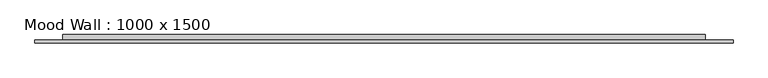
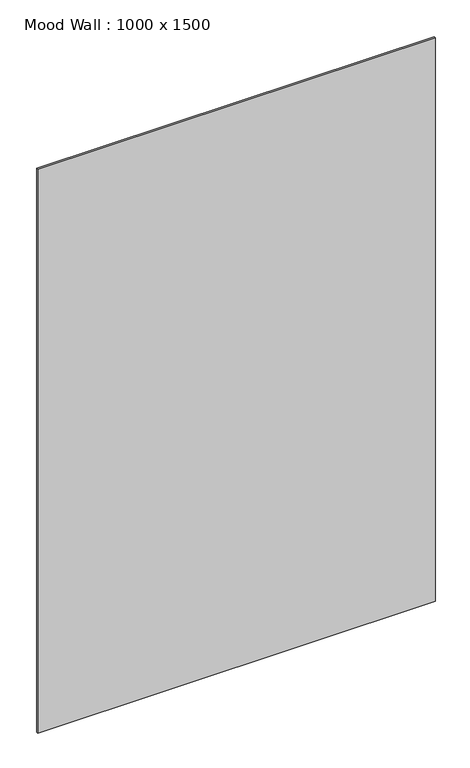
"""IFC4 building model written with IfcOpenShell, lengths in millimetres: furniture geometry, Mood Wall : 1000 x 1500."""

import ifcopenshell
import ifcopenshell.guid

model = None  # the IFC model being written
_history = None  # IfcOwnerHistory: only IFC2X3 demands one
_inside = {}  # id of a spatial element -> (the spatial element, [elements in it])
_under = {}  # id of a project, library or spatial element -> (it, [spatial elements below it])
_declared = {}  # id of a project -> (the project, [libraries it declares])
_typed = {}  # id of a type object -> (the type object, [elements of that type])
_made_of = {}  # id of a material, layer set ... -> (it, [elements and type objects made of it])


def new_model(schema):
    """Start an empty IFC model of exactly this schema.

    Asked for "IFC4X3", IfcOpenShell would pick the latest addendum, in which some entities
    have other attributes; the version numbers below select the first issue.
    IFC2X3 requires an IfcOwnerHistory on every rooted entity: one is made here for all.
    """
    global model, _history
    if schema == "IFC4X3":
        model = ifcopenshell.file(schema_version=(4, 3, 0, 0))
    else:
        model = ifcopenshell.file(schema=schema)
    _inside.clear()
    _under.clear()
    _declared.clear()
    _typed.clear()
    _made_of.clear()
    _history = None
    if model.schema == "IFC2X3":
        org = make("IfcOrganization", Name="unknown")
        user = make(
            "IfcPersonAndOrganization",
            ThePerson=make("IfcPerson", FamilyName="unknown"),
            TheOrganization=org,
        )
        app = make(
            "IfcApplication",
            ApplicationDeveloper=org,
            Version="unknown",
            ApplicationFullName="unknown",
            ApplicationIdentifier="unknown",
        )
        _history = make(
            "IfcOwnerHistory",
            OwningUser=user,
            OwningApplication=app,
            ChangeAction="ADDED",
            CreationDate=0,
        )
    return model


def make(cls, **values):
    """One entity of the class cls with the attributes given. An attribute that is None is left unset."""
    return model.create_entity(
        cls, **{name: value for name, value in values.items() if value is not None}
    )


def rooted(cls, **values):
    """An entity with a GlobalId (a new one), such as an element, a storey or a relation."""
    return make(cls, GlobalId=ifcopenshell.guid.new(), OwnerHistory=_history, **values)


def si_unit(unit_type, name, prefix=None):
    """IfcSIUnit, for example si_unit("LENGTHUNIT", "METRE", prefix="MILLI")."""
    return make("IfcSIUnit", UnitType=unit_type, Prefix=prefix, Name=name)


def assignment(units):
    """IfcUnitAssignment: the units of a project."""
    return None if units is None else make("IfcUnitAssignment", Units=units)


def point(xyz):
    """IfcCartesianPoint."""
    return None if xyz is None else make("IfcCartesianPoint", Coordinates=xyz)


def direction(xyz):
    """IfcDirection."""
    return None if xyz is None else make("IfcDirection", DirectionRatios=xyz)


def frame(location, z_axis=None, x_axis=None):
    """IfcAxis2Placement3D, a coordinate frame: its origin and axes. An axis left out is left unset."""
    return make(
        "IfcAxis2Placement3D",
        Location=point(location),
        Axis=direction(z_axis),
        RefDirection=direction(x_axis),
    )


def origin():
    """The frame at (0, 0, 0) with its axes left unset."""
    return frame((0.0, 0.0, 0.0))


def origin_with_axes():
    """The frame at (0, 0, 0) with the z axis (0, 0, 1) and the x axis (1, 0, 0) written out."""
    return frame((0.0, 0.0, 0.0), z_axis=(0.0, 0.0, 1.0), x_axis=(1.0, 0.0, 0.0))


def place(relative_to, where):
    """IfcLocalPlacement: puts the frame where relative to a parent placement (None: the world)."""
    return make(
        "IfcLocalPlacement", PlacementRelTo=relative_to, RelativePlacement=where
    )


def context(
    kind, dimensions, precision=None, world=None, true_north=None, identifier=None
):
    """IfcGeometricRepresentationContext, for example the 3D "Model" context."""
    return make(
        "IfcGeometricRepresentationContext",
        ContextIdentifier=identifier,
        ContextType=kind,
        CoordinateSpaceDimension=dimensions,
        Precision=precision,
        WorldCoordinateSystem=world,
        TrueNorth=true_north,
    )


def project(units=None, contexts=None):
    """IfcProject with its units and contexts."""
    return rooted(
        "IfcProject",
        Name="project",
        RepresentationContexts=contexts,
        UnitsInContext=assignment(units),
    )


def spatial(cls, under=None, at=None, **own):
    """A site, building, storey or space (cls), placed at a placement, below another one or the project."""
    s = rooted(cls, ObjectPlacement=at, **own)
    if under is not None:
        _under.setdefault(under.id(), (under, []))[1].append(s)
    return s


def polyline(points):
    """IfcPolyline through the points."""
    return make("IfcPolyline", Points=[point(p) for p in points])


def outline(outer, holes=None, kind="AREA"):
    """IfcArbitraryClosedProfileDef: a profile drawn as a closed curve; with holes, ...WithVoids."""
    if holes is None:
        return make("IfcArbitraryClosedProfileDef", ProfileType=kind, OuterCurve=outer)
    return make(
        "IfcArbitraryProfileDefWithVoids",
        ProfileType=kind,
        OuterCurve=outer,
        InnerCurves=holes,
    )


def extrude(swept, where, along, depth):
    """IfcExtrudedAreaSolid: the profile swept, set in the frame where, extruded along a direction by depth."""
    return make(
        "IfcExtrudedAreaSolid",
        SweptArea=swept,
        Position=where,
        ExtrudedDirection=direction(along),
        Depth=depth,
    )


def shape(context_of_items, identifier, shape_type, items):
    """IfcShapeRepresentation: the items that make up one representation, for example the "Body"."""
    return make(
        "IfcShapeRepresentation",
        ContextOfItems=context_of_items,
        RepresentationIdentifier=identifier,
        RepresentationType=shape_type,
        Items=items,
    )


def source(mapping_origin, context_of_items, identifier, shape_type, items):
    """IfcRepresentationMap: a shape defined once, which mapped items show again and again."""
    return make(
        "IfcRepresentationMap",
        MappingOrigin=mapping_origin,
        MappedRepresentation=shape(context_of_items, identifier, shape_type, items),
    )


def transform(
    local_origin,
    x_axis=None,
    y_axis=None,
    z_axis=None,
    scale=None,
    scale2=None,
    scale3=None,
    uniform=True,
):
    """IfcCartesianTransformationOperator3D, or its non-uniform kind. x_axis, y_axis, z_axis: its Axis1, 2, 3."""
    if uniform:
        return make(
            "IfcCartesianTransformationOperator3D",
            Axis1=direction(x_axis),
            Axis2=direction(y_axis),
            LocalOrigin=point(local_origin),
            Scale=scale,
            Axis3=direction(z_axis),
        )
    return make(
        "IfcCartesianTransformationOperator3DnonUniform",
        Axis1=direction(x_axis),
        Axis2=direction(y_axis),
        LocalOrigin=point(local_origin),
        Scale=scale,
        Axis3=direction(z_axis),
        Scale2=scale2,
        Scale3=scale3,
    )


def mapped(mapping_source, mapping_target):
    """IfcMappedItem: shows the shape of a source again, moved by a transform."""
    return make(
        "IfcMappedItem", MappingSource=mapping_source, MappingTarget=mapping_target
    )


def made_of(thing, what):
    """Note that an element or type object is made of a material, layer set ...; save() writes the relation."""
    if what is not None:
        _made_of.setdefault(what.id(), (what, []))[1].append(thing)
    return thing


def element(
    cls,
    number,
    at=None,
    inside=None,
    cuts=None,
    type_object=None,
    material=None,
    context=None,
    identifier="Body",
    shape_type=None,
    held_by="IfcProductDefinitionShape",
    body=None,
    shapes=None,
    **own,
):
    """One element of the class cls, such as IfcWall. Its Tag is "e" and its number.

    at: its placement. inside: the storey or other place that contains it. cuts: it is an
    opening in that element (IfcRelVoidsElement). A single representation is given by context,
    identifier, shape_type and body (its items); several are given by shapes. held_by: the class
    of the entity that holds the representations. save() writes the other relations.
    """
    e = rooted(cls, Tag="e%d" % number, ObjectPlacement=at, **own)
    if body is not None:
        shapes = [shape(context, identifier, shape_type, body)]
    if shapes is not None:
        e.Representation = make(held_by, Representations=shapes)
    if inside is not None:
        _inside.setdefault(inside.id(), (inside, []))[1].append(e)
    if cuts is not None:
        rooted(
            "IfcRelVoidsElement", RelatingBuildingElement=cuts, RelatedOpeningElement=e
        )
    if type_object is not None:
        _typed.setdefault(type_object.id(), (type_object, []))[1].append(e)
    return made_of(e, material)


def aggregate(whole, parts):
    """IfcRelAggregates: a whole, such as a stair, and the parts it consists of."""
    return rooted("IfcRelAggregates", RelatingObject=whole, RelatedObjects=parts)


def save(model, path):
    """Write the relations noted so far, then the file.

    IfcRelAggregates (storeys below a building ...), IfcRelContainedInSpatialStructure (elements
    in a storey), IfcRelDefinesByType, IfcRelAssociatesMaterial and IfcRelDeclares: one each for
    every whole, place, type object, material and project.
    """
    for whole, parts in _under.values():
        aggregate(whole, parts)
    for where, things in _inside.values():
        rooted(
            "IfcRelContainedInSpatialStructure",
            RelatedElements=things,
            RelatingStructure=where,
        )
    for kind, things in _typed.values():
        rooted("IfcRelDefinesByType", RelatedObjects=things, RelatingType=kind)
    for what, things in _made_of.values():
        rooted("IfcRelAssociatesMaterial", RelatedObjects=things, RelatingMaterial=what)
    for by, libraries in _declared.values():
        rooted("IfcRelDeclares", RelatingContext=by, RelatedDefinitions=libraries)
    model.write(path)


def mood_wall_1000_x_1500_50852baf(model_context):
    return source(origin(), model_context, "Body", "SweptSolid", [
        extrude(outline(polyline([(500.0128906, -8.0), (500.0128906, -12.0), (-500.0128906, -12.0), (-500.0128906, -8.0), (500.0128906, -8.0)])), origin_with_axes(), (0.0, 0.0, 1.0), 1499.9890625),
        extrude(outline(polyline([(460.0128906, 0.0), (460.0128906, -8.0), (-460.0128906, -8.0), (-460.0128906, 0.0), (460.0128906, 0.0)])), frame((0.0, 0.0, 40.0), z_axis=(0.0, 0.0, 1.0), x_axis=(1.0, 0.0, 0.0)), (0.0, 0.0, 1.0), 1419.9890625),
    ])


if __name__ == "__main__":
    model = new_model("IFC4")
    model_context = context("Model", 3, world=origin())
    ifc_project = project(units=[si_unit("LENGTHUNIT", "METRE", prefix="MILLI")], contexts=[model_context])
    site = spatial("IfcSite", under=ifc_project)
    building = spatial("IfcBuilding", under=site)
    placement = place(None, origin())
    mood_wall_1000_x_1500_shape = mood_wall_1000_x_1500_50852baf(model_context)
    element("IfcFurniture", 1, ObjectType="Mood Wall : 1000 x 1500", at=placement, inside=building, context=model_context, shape_type="MappedRepresentation", body=[
        mapped(mood_wall_1000_x_1500_shape, transform((0.0, 0.0, 0.0), x_axis=(1.0, 0.0, 0.0), y_axis=(0.0, 1.0, 0.0), z_axis=(0.0, 0.0, 1.0))),
    ])
    save(model, "model.ifc")
